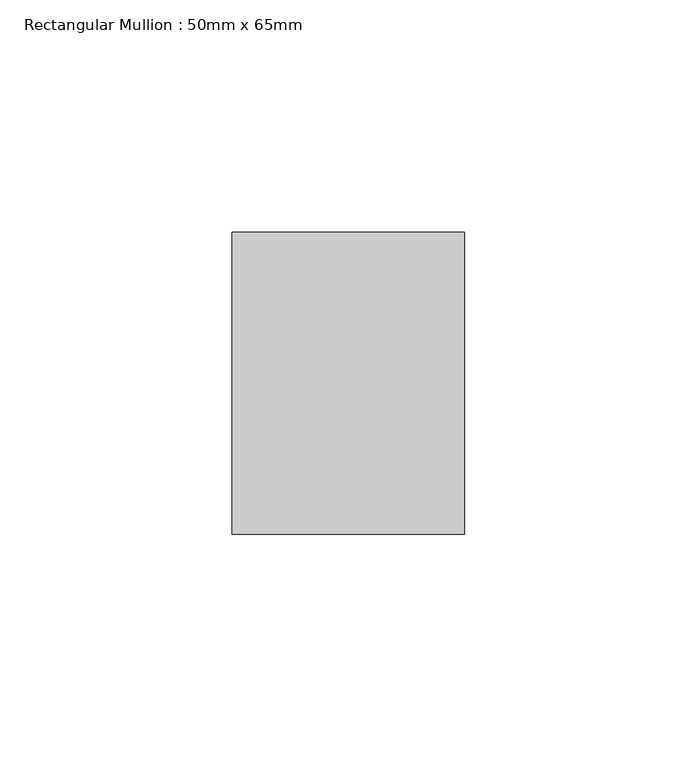
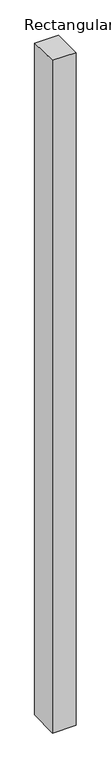
"""IFC4 building model written with IfcOpenShell, lengths in millimetres: member geometry, Rectangular Mullion : 50mm x 65mm."""

from ifc_helpers import new_model, si_unit, origin, place, context, project, spatial, faceted_brep, source, transform, mapped, element, save


def rectangular_mullion_50mm_x_65mm_5c67be1e(model_context):
    return source(origin(), model_context, "Body", "Brep", [
        faceted_brep([(-25.0, 32.5, -0.4518148), (25.0, 32.5, -0.4518157), (25.0, 32.5, -1499.4312847), (-25.0, 32.5, -1499.4312859), (-25.0, -32.5, 0.4518157), (-25.0, -32.5, -1500.5679264), (25.0, -32.5, 0.4518148), (25.0, -32.5, -1500.5679252)], [[[0, 1, 2, 3]], [[4, 0, 3, 5]], [[6, 4, 5, 7]], [[1, 6, 7, 2]], [[1, 0, 4, 6]], [[2, 7, 5, 3]]]),
    ])


if __name__ == "__main__":
    model = new_model("IFC4")
    model_context = context("Model", 3, world=origin())
    ifc_project = project(units=[si_unit("LENGTHUNIT", "METRE", prefix="MILLI")], contexts=[model_context])
    site = spatial("IfcSite", under=ifc_project)
    building = spatial("IfcBuilding", under=site)
    placement = place(None, origin())
    rectangular_mullion_50mm_x_65mm_shape = rectangular_mullion_50mm_x_65mm_5c67be1e(model_context)
    element("IfcMember", 1, ObjectType="Rectangular Mullion : 50mm x 65mm", at=placement, inside=building, context=model_context, shape_type="MappedRepresentation", body=[
        mapped(rectangular_mullion_50mm_x_65mm_shape, transform((0.0, 0.0, 0.0), x_axis=(1.0, 0.0, 0.0), y_axis=(0.0, 1.0, 0.0), z_axis=(0.0, 0.0, 1.0))),
    ])
    save(model, "model.ifc")
